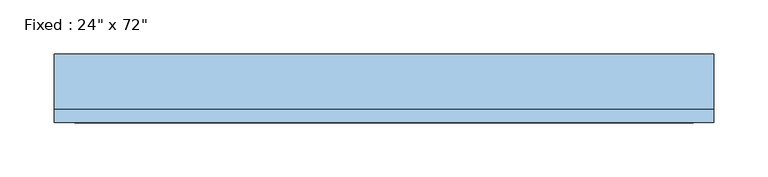
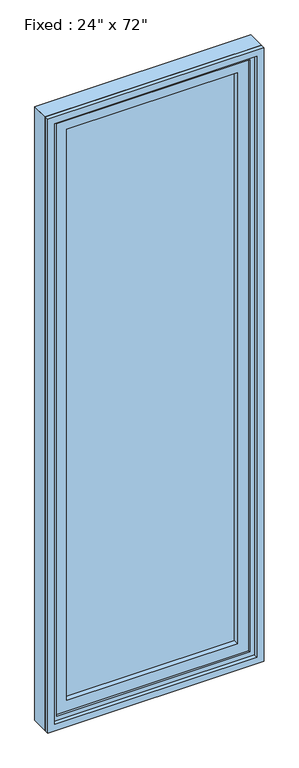
"""IFC4 building model written with IfcOpenShell, lengths in millimetres: window geometry."""

from ifc_helpers import new_model, si_unit, frame, origin, place, context, project, spatial, polyline, outline, extrude, source, transform, mapped, element, save


def window_800dca4e(model_context):
    return source(origin(), model_context, "Body", "SweptSolid", [
        extrude(outline(polyline([(203.2, 41.275), (203.2, 28.575), (-279.4, 28.575), (-279.4, 41.275), (203.2, 41.275)])), frame((0.0, 0.0, 368.3), z_axis=(0.0, 0.0, 1.0), x_axis=(1.0, 0.0, 0.0)), (0.0, 0.0, 1.0), 1701.8),
        extrude(outline(polyline([(2114.55, -323.85), (323.85, -323.85), (323.85, 247.65), (2114.55, 247.65), (2114.55, -323.85)]), holes=[polyline([(2070.1, -279.4), (2070.1, 203.2), (368.3, 203.2), (368.3, -279.4), (2070.1, -279.4)])]), frame((0.0, 12.7, 0.0), z_axis=(0.0, 1.0, 0.0), x_axis=(0.0, 0.0, 1.0)), (0.0, 0.0, 1.0), 44.45),
        extrude(outline(polyline([(2133.6, -342.9), (304.8, -342.9), (304.8, 266.7), (2133.6, 266.7), (2133.6, -342.9)]), holes=[polyline([(2101.85, -311.15), (2101.85, 234.95), (336.55, 234.95), (336.55, -311.15), (2101.85, -311.15)])]), frame((0.0, 6.35, 0.0), z_axis=(0.0, 1.0, 0.0), x_axis=(0.0, 0.0, 1.0)), (0.0, 0.0, 1.0), 50.8),
        extrude(outline(polyline([(2133.6, 266.7), (2133.6, -342.9), (304.8, -342.9), (304.8, 266.7), (2133.6, 266.7)]), holes=[polyline([(2114.55, 247.65), (323.85, 247.65), (323.85, -323.85), (2114.55, -323.85), (2114.55, 247.65)])]), frame((0.0, -6.35, 0.0), z_axis=(0.0, 1.0, 0.0), x_axis=(0.0, 0.0, 1.0)), (0.0, 0.0, 1.0), 63.5),
    ])


if __name__ == "__main__":
    model = new_model("IFC4")
    model_context = context("Model", 3, world=origin())
    ifc_project = project(units=[si_unit("LENGTHUNIT", "METRE", prefix="MILLI")], contexts=[model_context])
    site = spatial("IfcSite", under=ifc_project)
    building = spatial("IfcBuilding", under=site)
    placement = place(None, origin())
    window_shape = window_800dca4e(model_context)
    element("IfcWindow", 1, ObjectType="Fixed : 24\" x 72\"", at=placement, inside=building, context=model_context, shape_type="MappedRepresentation", body=[
        mapped(window_shape, transform((0.0, 0.0, 0.0), x_axis=(1.0, 0.0, 0.0), y_axis=(0.0, 1.0, 0.0), z_axis=(0.0, 0.0, 1.0))),
    ])
    save(model, "model.ifc")
